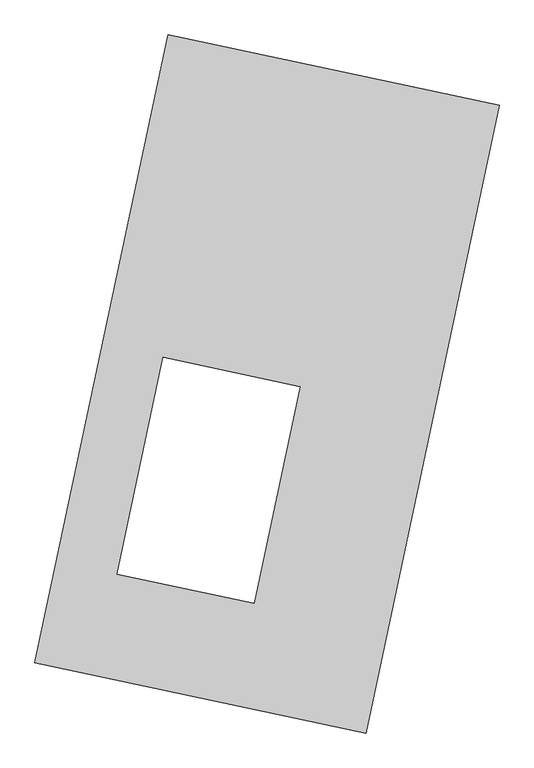
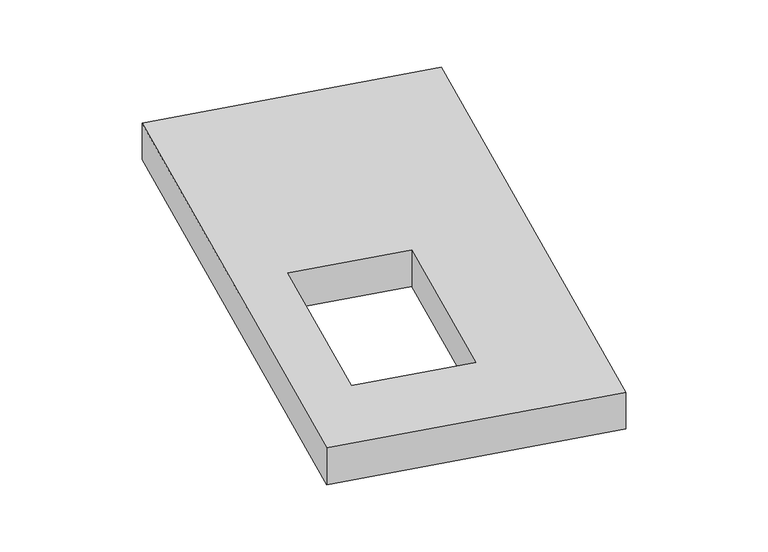
"""IFC4 building model written with IfcOpenShell, lengths in millimetres: proxy geometry."""

from ifc_helpers import new_model, si_unit, origin, origin_with_axes, place, context, project, spatial, polyline, outline, extrude, source, transform, mapped, element, save


def generic_models_785e7f90(model_context):
    return source(origin(), model_context, "Body", "SweptSolid", [
        extrude(outline(polyline([(-617.3692021, 2175.5580432), (1447.7508745, 1737.3010494), (617.3692021, -2175.5580432), (-1447.7508745, -1737.3010494), (-617.3692021, 2175.5580432)]), holes=[polyline([(206.3586199, -15.6422067), (-648.1661304, 165.7038818), (-935.0796363, -1186.2673352), (-80.554886, -1367.6134237), (206.3586199, -15.6422067)])]), origin_with_axes(), (0.0, 0.0, 1.0), 300.0),
    ])


if __name__ == "__main__":
    model = new_model("IFC4")
    model_context = context("Model", 3, world=origin())
    ifc_project = project(units=[si_unit("LENGTHUNIT", "METRE", prefix="MILLI")], contexts=[model_context])
    site = spatial("IfcSite", under=ifc_project)
    building = spatial("IfcBuilding", under=site)
    placement = place(None, origin())
    generic_models_shape = generic_models_785e7f90(model_context)
    element("IfcBuildingElementProxy", 1, Name="Generic Models", at=placement, inside=building, context=model_context, shape_type="MappedRepresentation", body=[
        mapped(generic_models_shape, transform((0.0, 0.0, 0.0), x_axis=(1.0, 0.0, 0.0), y_axis=(0.0, 1.0, 0.0), z_axis=(0.0, 0.0, 1.0))),
    ])
    save(model, "model.ifc")
